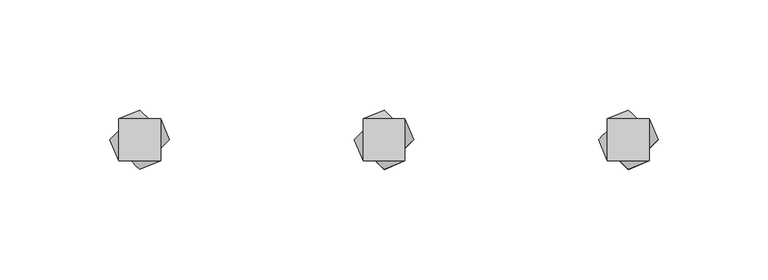
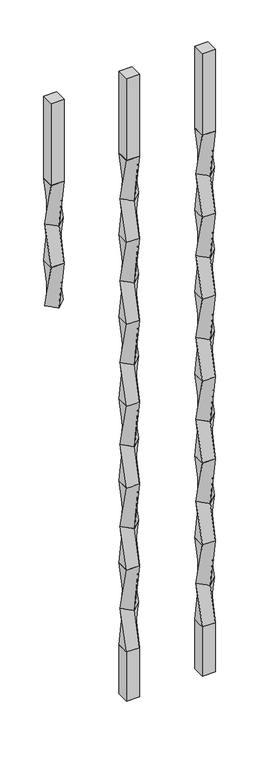
"""IFC4 building model written with IfcOpenShell, lengths in millimetres: proxy geometry."""

from ifc_helpers import new_model, si_unit, frame, origin, place, context, project, spatial, polyline, outline, extrude, source, transform, mapped, element, save
from ifc_brep_helpers import plane_surface, spline_surface, advanced_brep


def specialty_equipment_88f8adfa(model_context):
    return source(origin(), model_context, "Body", "SolidModel", [
        advanced_brep(
        [(212.725, 9.525, 939.8), (212.725, -9.525, 939.8), (231.775, -9.525, 939.8), (231.775, 9.525, 939.8), (222.25, 13.4703842, 876.3), (235.7203842, 0.0, 876.3), (222.25, -13.4703842, 876.3), (208.7796158, 0.0, 876.3)],
        [
            (0, 1),
            (1, 2),
            (2, 3),
            (3, 0),
            (4, 5),
            (5, 6),
            (6, 7),
            (7, 4),
            (4, 0),
            (3, 5),
            (2, 6),
            (1, 7),
        ],
        [
            plane_surface(frame((222.25, 0.0, 939.8), z_axis=(0.0, 0.0, 1.0), x_axis=(0.0, -1.0, 0.0))),
            plane_surface(frame((222.25, 0.0, 876.3), z_axis=(0.0, 0.0, -1.0), x_axis=(0.0, -1.0, 0.0))),
            spline_surface(1, 1, [[(235.7203842, 0.0, 876.3), (231.775, 9.525, 939.8)], [(222.25, 13.4703842, 876.3), (212.725, 9.525, 939.8)]], [2, 2], [2, 2], [0.0, 1.0], [0.0, 1.0]),
            spline_surface(1, 1, [[(222.25, -13.4703842, 876.3), (231.775, -9.525, 939.8)], [(235.7203842, 0.0, 876.3), (231.775, 9.525, 939.8)]], [2, 2], [2, 2], [0.0, 1.0], [0.0, 1.0]),
            spline_surface(1, 1, [[(208.7796158, 0.0, 876.3), (212.725, -9.525, 939.8)], [(222.25, -13.4703842, 876.3), (231.775, -9.525, 939.8)]], [2, 2], [2, 2], [0.0, 1.0], [0.0, 1.0]),
            spline_surface(1, 1, [[(222.25, 13.4703842, 876.3), (212.725, 9.525, 939.8)], [(208.7796158, 0.0, 876.3), (212.725, -9.525, 939.8)]], [2, 2], [2, 2], [0.0, 1.0], [0.0, 1.0]),
        ],
        [
            (0, [[1, 2, 3, 4]]),
            (1, [[5, 6, 7, 8]]),
            (2, [[-5, 9, -4, 10]]),
            (3, [[-6, -10, -3, 11]]),
            (4, [[-7, -11, -2, 12]]),
            (5, [[-8, -12, -1, -9]]),
        ],
    ),
        advanced_brep(
        [(222.25, 13.4703842, 876.3), (208.7796158, 0.0, 876.3), (222.25, -13.4703842, 876.3), (235.7203842, 0.0, 876.3), (212.725, 9.525, 812.8), (231.775, 9.525, 812.8), (231.775, -9.525, 812.8), (212.725, -9.525, 812.8)],
        [
            (0, 1),
            (1, 2),
            (2, 3),
            (3, 0),
            (4, 5),
            (5, 6),
            (6, 7),
            (7, 4),
            (4, 0),
            (3, 5),
            (2, 6),
            (1, 7),
        ],
        [
            plane_surface(frame((222.25, 0.0, 876.3), z_axis=(0.0, 0.0, 1.0000000000000002), x_axis=(0.7071067811865481, -0.707106781186547, 0.0))),
            plane_surface(frame((222.25, 0.0, 812.8), z_axis=(0.0, 0.0, -1.0000000000000002), x_axis=(0.7071067811865481, -0.707106781186547, 0.0))),
            spline_surface(1, 1, [[(231.775, 9.525, 812.8), (235.7203842, 0.0, 876.3)], [(212.725, 9.525, 812.8), (222.25, 13.4703842, 876.3)]], [2, 2], [2, 2], [0.0, 1.0], [0.0, 1.0]),
            spline_surface(1, 1, [[(231.775, -9.525, 812.8), (222.25, -13.4703842, 876.3)], [(231.775, 9.525, 812.8), (235.7203842, 0.0, 876.3)]], [2, 2], [2, 2], [0.0, 1.0], [0.0, 1.0]),
            spline_surface(1, 1, [[(212.725, -9.525, 812.8), (208.7796158, 0.0, 876.3)], [(231.775, -9.525, 812.8), (222.25, -13.4703842, 876.3)]], [2, 2], [2, 2], [0.0, 1.0], [0.0, 1.0]),
            spline_surface(1, 1, [[(212.725, 9.525, 812.8), (222.25, 13.4703842, 876.3)], [(212.725, -9.525, 812.8), (208.7796158, 0.0, 876.3)]], [2, 2], [2, 2], [0.0, 1.0], [0.0, 1.0]),
        ],
        [
            (0, [[1, 2, 3, 4]]),
            (1, [[5, 6, 7, 8]]),
            (2, [[-5, 9, -4, 10]]),
            (3, [[-6, -10, -3, 11]]),
            (4, [[-7, -11, -2, 12]]),
            (5, [[-8, -12, -1, -9]]),
        ],
    ),
        extrude(outline(polyline([(231.775, 9.525), (231.775, -9.525), (212.725, -9.525), (212.725, 9.525), (231.775, 9.525)])), frame((0.0, 0.0, 939.8), z_axis=(0.0, 0.0, 1.0), x_axis=(1.0, 0.0, 0.0)), (0.0, 0.0, 1.0), 127.0),
        advanced_brep(
        [(212.725, 9.525, 812.8), (212.725, -9.525, 812.8), (231.775, -9.525, 812.8), (231.775, 9.525, 812.8), (222.25, 13.4703842, 749.3), (235.7203842, 0.0, 749.3), (222.25, -13.4703842, 749.3), (208.7796158, 0.0, 749.3)],
        [
            (0, 1),
            (1, 2),
            (2, 3),
            (3, 0),
            (4, 5),
            (5, 6),
            (6, 7),
            (7, 4),
            (4, 0),
            (3, 5),
            (2, 6),
            (1, 7),
        ],
        [
            plane_surface(frame((222.25, 0.0, 812.8), z_axis=(0.0, 0.0, 1.0), x_axis=(0.0, -1.0, 0.0))),
            plane_surface(frame((222.25, 0.0, 749.3), z_axis=(0.0, 0.0, -1.0), x_axis=(0.0, -1.0, 0.0))),
            spline_surface(1, 1, [[(235.7203842, 0.0, 749.3), (231.775, 9.525, 812.8)], [(222.25, 13.4703842, 749.3), (212.725, 9.525, 812.8)]], [2, 2], [2, 2], [0.0, 1.0], [0.0, 1.0]),
            spline_surface(1, 1, [[(222.25, -13.4703842, 749.3), (231.775, -9.525, 812.8)], [(235.7203842, 0.0, 749.3), (231.775, 9.525, 812.8)]], [2, 2], [2, 2], [0.0, 1.0], [0.0, 1.0]),
            spline_surface(1, 1, [[(208.7796158, 0.0, 749.3), (212.725, -9.525, 812.8)], [(222.25, -13.4703842, 749.3), (231.775, -9.525, 812.8)]], [2, 2], [2, 2], [0.0, 1.0], [0.0, 1.0]),
            spline_surface(1, 1, [[(222.25, 13.4703842, 749.3), (212.725, 9.525, 812.8)], [(208.7796158, 0.0, 749.3), (212.725, -9.525, 812.8)]], [2, 2], [2, 2], [0.0, 1.0], [0.0, 1.0]),
        ],
        [
            (0, [[1, 2, 3, 4]]),
            (1, [[5, 6, 7, 8]]),
            (2, [[-5, 9, -4, 10]]),
            (3, [[-6, -10, -3, 11]]),
            (4, [[-7, -11, -2, 12]]),
            (5, [[-8, -12, -1, -9]]),
        ],
    ),
        advanced_brep(
        [(222.25, 13.4703842, 749.3), (208.7796158, 0.0, 749.3), (222.25, -13.4703842, 749.3), (235.7203842, 0.0, 749.3), (212.725, 9.525, 685.8), (231.775, 9.525, 685.8), (231.775, -9.525, 685.8), (212.725, -9.525, 685.8)],
        [
            (0, 1),
            (1, 2),
            (2, 3),
            (3, 0),
            (4, 5),
            (5, 6),
            (6, 7),
            (7, 4),
            (4, 0),
            (3, 5),
            (2, 6),
            (1, 7),
        ],
        [
            plane_surface(frame((222.25, 0.0, 749.3), z_axis=(0.0, 0.0, 1.0000000000000002), x_axis=(0.7071067811865481, -0.707106781186547, 0.0))),
            plane_surface(frame((222.25, 0.0, 685.8), z_axis=(0.0, 0.0, -1.0000000000000002), x_axis=(0.7071067811865481, -0.707106781186547, 0.0))),
            spline_surface(1, 1, [[(231.775, 9.525, 685.8), (235.7203842, 0.0, 749.3)], [(212.725, 9.525, 685.8), (222.25, 13.4703842, 749.3)]], [2, 2], [2, 2], [0.0, 1.0], [0.0, 1.0]),
            spline_surface(1, 1, [[(231.775, -9.525, 685.8), (222.25, -13.4703842, 749.3)], [(231.775, 9.525, 685.8), (235.7203842, 0.0, 749.3)]], [2, 2], [2, 2], [0.0, 1.0], [0.0, 1.0]),
            spline_surface(1, 1, [[(212.725, -9.525, 685.8), (208.7796158, 0.0, 749.3)], [(231.775, -9.525, 685.8), (222.25, -13.4703842, 749.3)]], [2, 2], [2, 2], [0.0, 1.0], [0.0, 1.0]),
            spline_surface(1, 1, [[(212.725, 9.525, 685.8), (222.25, 13.4703842, 749.3)], [(212.725, -9.525, 685.8), (208.7796158, 0.0, 749.3)]], [2, 2], [2, 2], [0.0, 1.0], [0.0, 1.0]),
        ],
        [
            (0, [[1, 2, 3, 4]]),
            (1, [[5, 6, 7, 8]]),
            (2, [[-5, 9, -4, 10]]),
            (3, [[-6, -10, -3, 11]]),
            (4, [[-7, -11, -2, 12]]),
            (5, [[-8, -12, -1, -9]]),
        ],
    ),
        advanced_brep(
        [(212.725, 9.525, 685.8), (212.725, -9.525, 685.8), (231.775, -9.525, 685.8), (231.775, 9.525, 685.8), (222.25, 13.4703842, 622.3), (235.7203842, 0.0, 622.3), (222.25, -13.4703842, 622.3), (208.7796158, 0.0, 622.3)],
        [
            (0, 1),
            (1, 2),
            (2, 3),
            (3, 0),
            (4, 5),
            (5, 6),
            (6, 7),
            (7, 4),
            (4, 0),
            (3, 5),
            (2, 6),
            (1, 7),
        ],
        [
            plane_surface(frame((222.25, 0.0, 685.8), z_axis=(0.0, 0.0, 1.0), x_axis=(0.0, -1.0, 0.0))),
            plane_surface(frame((222.25, 0.0, 622.3), z_axis=(0.0, 0.0, -1.0), x_axis=(0.0, -1.0, 0.0))),
            spline_surface(1, 1, [[(235.7203842, 0.0, 622.3), (231.775, 9.525, 685.8)], [(222.25, 13.4703842, 622.3), (212.725, 9.525, 685.8)]], [2, 2], [2, 2], [0.0, 1.0], [0.0, 1.0]),
            spline_surface(1, 1, [[(222.25, -13.4703842, 622.3), (231.775, -9.525, 685.8)], [(235.7203842, 0.0, 622.3), (231.775, 9.525, 685.8)]], [2, 2], [2, 2], [0.0, 1.0], [0.0, 1.0]),
            spline_surface(1, 1, [[(208.7796158, 0.0, 622.3), (212.725, -9.525, 685.8)], [(222.25, -13.4703842, 622.3), (231.775, -9.525, 685.8)]], [2, 2], [2, 2], [0.0, 1.0], [0.0, 1.0]),
            spline_surface(1, 1, [[(222.25, 13.4703842, 622.3), (212.725, 9.525, 685.8)], [(208.7796158, 0.0, 622.3), (212.725, -9.525, 685.8)]], [2, 2], [2, 2], [0.0, 1.0], [0.0, 1.0]),
        ],
        [
            (0, [[1, 2, 3, 4]]),
            (1, [[5, 6, 7, 8]]),
            (2, [[-5, 9, -4, 10]]),
            (3, [[-6, -10, -3, 11]]),
            (4, [[-7, -11, -2, 12]]),
            (5, [[-8, -12, -1, -9]]),
        ],
    ),
        advanced_brep(
        [(222.25, 13.4703842, 622.3), (208.7796158, 0.0, 622.3), (222.25, -13.4703842, 622.3), (235.7203842, 0.0, 622.3), (212.725, 9.525, 558.8), (231.775, 9.525, 558.8), (231.775, -9.525, 558.8), (212.725, -9.525, 558.8)],
        [
            (0, 1),
            (1, 2),
            (2, 3),
            (3, 0),
            (4, 5),
            (5, 6),
            (6, 7),
            (7, 4),
            (4, 0),
            (3, 5),
            (2, 6),
            (1, 7),
        ],
        [
            plane_surface(frame((222.25, 0.0, 622.3), z_axis=(0.0, 0.0, 1.0000000000000002), x_axis=(0.7071067811865481, -0.707106781186547, 0.0))),
            plane_surface(frame((222.25, 0.0, 558.8), z_axis=(0.0, 0.0, -1.0000000000000002), x_axis=(0.7071067811865481, -0.707106781186547, 0.0))),
            spline_surface(1, 1, [[(231.775, 9.525, 558.8), (235.7203842, 0.0, 622.3)], [(212.725, 9.525, 558.8), (222.25, 13.4703842, 622.3)]], [2, 2], [2, 2], [0.0, 1.0], [0.0, 1.0]),
            spline_surface(1, 1, [[(231.775, -9.525, 558.8), (222.25, -13.4703842, 622.3)], [(231.775, 9.525, 558.8), (235.7203842, 0.0, 622.3)]], [2, 2], [2, 2], [0.0, 1.0], [0.0, 1.0]),
            spline_surface(1, 1, [[(212.725, -9.525, 558.8), (208.7796158, 0.0, 622.3)], [(231.775, -9.525, 558.8), (222.25, -13.4703842, 622.3)]], [2, 2], [2, 2], [0.0, 1.0], [0.0, 1.0]),
            spline_surface(1, 1, [[(212.725, 9.525, 558.8), (222.25, 13.4703842, 622.3)], [(212.725, -9.525, 558.8), (208.7796158, 0.0, 622.3)]], [2, 2], [2, 2], [0.0, 1.0], [0.0, 1.0]),
        ],
        [
            (0, [[1, 2, 3, 4]]),
            (1, [[5, 6, 7, 8]]),
            (2, [[-5, 9, -4, 10]]),
            (3, [[-6, -10, -3, 11]]),
            (4, [[-7, -11, -2, 12]]),
            (5, [[-8, -12, -1, -9]]),
        ],
    ),
        advanced_brep(
        [(212.725, 9.525, 558.8), (212.725, -9.525, 558.8), (231.775, -9.525, 558.8), (231.775, 9.525, 558.8), (222.25, 13.4703842, 495.3), (235.7203842, 0.0, 495.3), (222.25, -13.4703842, 495.3), (208.7796158, 0.0, 495.3)],
        [
            (0, 1),
            (1, 2),
            (2, 3),
            (3, 0),
            (4, 5),
            (5, 6),
            (6, 7),
            (7, 4),
            (4, 0),
            (3, 5),
            (2, 6),
            (1, 7),
        ],
        [
            plane_surface(frame((222.25, 0.0, 558.8), z_axis=(0.0, 0.0, 1.0), x_axis=(0.0, -1.0, 0.0))),
            plane_surface(frame((222.25, 0.0, 495.3), z_axis=(0.0, 0.0, -1.0), x_axis=(0.0, -1.0, 0.0))),
            spline_surface(1, 1, [[(235.7203842, 0.0, 495.3), (231.775, 9.525, 558.8)], [(222.25, 13.4703842, 495.3), (212.725, 9.525, 558.8)]], [2, 2], [2, 2], [0.0, 1.0], [0.0, 1.0]),
            spline_surface(1, 1, [[(222.25, -13.4703842, 495.3), (231.775, -9.525, 558.8)], [(235.7203842, 0.0, 495.3), (231.775, 9.525, 558.8)]], [2, 2], [2, 2], [0.0, 1.0], [0.0, 1.0]),
            spline_surface(1, 1, [[(208.7796158, 0.0, 495.3), (212.725, -9.525, 558.8)], [(222.25, -13.4703842, 495.3), (231.775, -9.525, 558.8)]], [2, 2], [2, 2], [0.0, 1.0], [0.0, 1.0]),
            spline_surface(1, 1, [[(222.25, 13.4703842, 495.3), (212.725, 9.525, 558.8)], [(208.7796158, 0.0, 495.3), (212.725, -9.525, 558.8)]], [2, 2], [2, 2], [0.0, 1.0], [0.0, 1.0]),
        ],
        [
            (0, [[1, 2, 3, 4]]),
            (1, [[5, 6, 7, 8]]),
            (2, [[-5, 9, -4, 10]]),
            (3, [[-6, -10, -3, 11]]),
            (4, [[-7, -11, -2, 12]]),
            (5, [[-8, -12, -1, -9]]),
        ],
    ),
        advanced_brep(
        [(222.25, 13.4703842, 495.3), (208.7796158, 0.0, 495.3), (222.25, -13.4703842, 495.3), (235.7203842, 0.0, 495.3), (212.725, 9.525, 431.8), (231.775, 9.525, 431.8), (231.775, -9.525, 431.8), (212.725, -9.525, 431.8)],
        [
            (0, 1),
            (1, 2),
            (2, 3),
            (3, 0),
            (4, 5),
            (5, 6),
            (6, 7),
            (7, 4),
            (4, 0),
            (3, 5),
            (2, 6),
            (1, 7),
        ],
        [
            plane_surface(frame((222.25, 0.0, 495.3), z_axis=(0.0, 0.0, 1.0000000000000002), x_axis=(0.7071067811865481, -0.707106781186547, 0.0))),
            plane_surface(frame((222.25, 0.0, 431.8), z_axis=(0.0, 0.0, -1.0000000000000002), x_axis=(0.7071067811865481, -0.707106781186547, 0.0))),
            spline_surface(1, 1, [[(231.775, 9.525, 431.8), (235.7203842, 0.0, 495.3)], [(212.725, 9.525, 431.8), (222.25, 13.4703842, 495.3)]], [2, 2], [2, 2], [0.0, 1.0], [0.0, 1.0]),
            spline_surface(1, 1, [[(231.775, -9.525, 431.8), (222.25, -13.4703842, 495.3)], [(231.775, 9.525, 431.8), (235.7203842, 0.0, 495.3)]], [2, 2], [2, 2], [0.0, 1.0], [0.0, 1.0]),
            spline_surface(1, 1, [[(212.725, -9.525, 431.8), (208.7796158, 0.0, 495.3)], [(231.775, -9.525, 431.8), (222.25, -13.4703842, 495.3)]], [2, 2], [2, 2], [0.0, 1.0], [0.0, 1.0]),
            spline_surface(1, 1, [[(212.725, 9.525, 431.8), (222.25, 13.4703842, 495.3)], [(212.725, -9.525, 431.8), (208.7796158, 0.0, 495.3)]], [2, 2], [2, 2], [0.0, 1.0], [0.0, 1.0]),
        ],
        [
            (0, [[1, 2, 3, 4]]),
            (1, [[5, 6, 7, 8]]),
            (2, [[-5, 9, -4, 10]]),
            (3, [[-6, -10, -3, 11]]),
            (4, [[-7, -11, -2, 12]]),
            (5, [[-8, -12, -1, -9]]),
        ],
    ),
        advanced_brep(
        [(212.725, 9.525, 431.8), (212.725, -9.525, 431.8), (231.775, -9.525, 431.8), (231.775, 9.525, 431.8), (222.25, 13.4703842, 368.3), (235.7203842, 0.0, 368.3), (222.25, -13.4703842, 368.3), (208.7796158, 0.0, 368.3)],
        [
            (0, 1),
            (1, 2),
            (2, 3),
            (3, 0),
            (4, 5),
            (5, 6),
            (6, 7),
            (7, 4),
            (4, 0),
            (3, 5),
            (2, 6),
            (1, 7),
        ],
        [
            plane_surface(frame((222.25, 0.0, 431.8), z_axis=(0.0, 0.0, 1.0), x_axis=(0.0, -1.0, 0.0))),
            plane_surface(frame((222.25, 0.0, 368.3), z_axis=(0.0, 0.0, -1.0), x_axis=(0.0, -1.0, 0.0))),
            spline_surface(1, 1, [[(235.7203842, 0.0, 368.3), (231.775, 9.525, 431.8)], [(222.25, 13.4703842, 368.3), (212.725, 9.525, 431.8)]], [2, 2], [2, 2], [0.0, 1.0], [0.0, 1.0]),
            spline_surface(1, 1, [[(222.25, -13.4703842, 368.3), (231.775, -9.525, 431.8)], [(235.7203842, 0.0, 368.3), (231.775, 9.525, 431.8)]], [2, 2], [2, 2], [0.0, 1.0], [0.0, 1.0]),
            spline_surface(1, 1, [[(208.7796158, 0.0, 368.3), (212.725, -9.525, 431.8)], [(222.25, -13.4703842, 368.3), (231.775, -9.525, 431.8)]], [2, 2], [2, 2], [0.0, 1.0], [0.0, 1.0]),
            spline_surface(1, 1, [[(222.25, 13.4703842, 368.3), (212.725, 9.525, 431.8)], [(208.7796158, 0.0, 368.3), (212.725, -9.525, 431.8)]], [2, 2], [2, 2], [0.0, 1.0], [0.0, 1.0]),
        ],
        [
            (0, [[1, 2, 3, 4]]),
            (1, [[5, 6, 7, 8]]),
            (2, [[-5, 9, -4, 10]]),
            (3, [[-6, -10, -3, 11]]),
            (4, [[-7, -11, -2, 12]]),
            (5, [[-8, -12, -1, -9]]),
        ],
    ),
        advanced_brep(
        [(222.25, 13.4703842, 368.3), (208.7796158, 0.0, 368.3), (222.25, -13.4703842, 368.3), (235.7203842, 0.0, 368.3), (212.725, 9.525, 304.8), (231.775, 9.525, 304.8), (231.775, -9.525, 304.8), (212.725, -9.525, 304.8)],
        [
            (0, 1),
            (1, 2),
            (2, 3),
            (3, 0),
            (4, 5),
            (5, 6),
            (6, 7),
            (7, 4),
            (4, 0),
            (3, 5),
            (2, 6),
            (1, 7),
        ],
        [
            plane_surface(frame((222.25, 0.0, 368.3), z_axis=(0.0, 0.0, 1.0000000000000002), x_axis=(0.7071067811865481, -0.707106781186547, 0.0))),
            plane_surface(frame((222.25, 0.0, 304.8), z_axis=(0.0, 0.0, -1.0000000000000002), x_axis=(0.7071067811865481, -0.707106781186547, 0.0))),
            spline_surface(1, 1, [[(231.775, 9.525, 304.8), (235.7203842, 0.0, 368.3)], [(212.725, 9.525, 304.8), (222.25, 13.4703842, 368.3)]], [2, 2], [2, 2], [0.0, 1.0], [0.0, 1.0]),
            spline_surface(1, 1, [[(231.775, -9.525, 304.8), (222.25, -13.4703842, 368.3)], [(231.775, 9.525, 304.8), (235.7203842, 0.0, 368.3)]], [2, 2], [2, 2], [0.0, 1.0], [0.0, 1.0]),
            spline_surface(1, 1, [[(212.725, -9.525, 304.8), (208.7796158, 0.0, 368.3)], [(231.775, -9.525, 304.8), (222.25, -13.4703842, 368.3)]], [2, 2], [2, 2], [0.0, 1.0], [0.0, 1.0]),
            spline_surface(1, 1, [[(212.725, 9.525, 304.8), (222.25, 13.4703842, 368.3)], [(212.725, -9.525, 304.8), (208.7796158, 0.0, 368.3)]], [2, 2], [2, 2], [0.0, 1.0], [0.0, 1.0]),
        ],
        [
            (0, [[1, 2, 3, 4]]),
            (1, [[5, 6, 7, 8]]),
            (2, [[-5, 9, -4, 10]]),
            (3, [[-6, -10, -3, 11]]),
            (4, [[-7, -11, -2, 12]]),
            (5, [[-8, -12, -1, -9]]),
        ],
    ),
        advanced_brep(
        [(212.725, 9.525, 304.8), (212.725, -9.525, 304.8), (231.775, -9.525, 304.8), (231.775, 9.525, 304.8), (222.25, 13.4703842, 241.3), (235.7203842, 0.0, 241.3), (222.25, -13.4703842, 241.3), (208.7796158, 0.0, 241.3)],
        [
            (0, 1),
            (1, 2),
            (2, 3),
            (3, 0),
            (4, 5),
            (5, 6),
            (6, 7),
            (7, 4),
            (4, 0),
            (3, 5),
            (2, 6),
            (1, 7),
        ],
        [
            plane_surface(frame((222.25, 0.0, 304.8), z_axis=(0.0, 0.0, 1.0), x_axis=(0.0, -1.0, 0.0))),
            plane_surface(frame((222.25, 0.0, 241.3), z_axis=(0.0, 0.0, -1.0), x_axis=(0.0, -1.0, 0.0))),
            spline_surface(1, 1, [[(235.7203842, 0.0, 241.3), (231.775, 9.525, 304.8)], [(222.25, 13.4703842, 241.3), (212.725, 9.525, 304.8)]], [2, 2], [2, 2], [0.0, 1.0], [0.0, 1.0]),
            spline_surface(1, 1, [[(222.25, -13.4703842, 241.3), (231.775, -9.525, 304.8)], [(235.7203842, 0.0, 241.3), (231.775, 9.525, 304.8)]], [2, 2], [2, 2], [0.0, 1.0], [0.0, 1.0]),
            spline_surface(1, 1, [[(208.7796158, 0.0, 241.3), (212.725, -9.525, 304.8)], [(222.25, -13.4703842, 241.3), (231.775, -9.525, 304.8)]], [2, 2], [2, 2], [0.0, 1.0], [0.0, 1.0]),
            spline_surface(1, 1, [[(222.25, 13.4703842, 241.3), (212.725, 9.525, 304.8)], [(208.7796158, 0.0, 241.3), (212.725, -9.525, 304.8)]], [2, 2], [2, 2], [0.0, 1.0], [0.0, 1.0]),
        ],
        [
            (0, [[1, 2, 3, 4]]),
            (1, [[5, 6, 7, 8]]),
            (2, [[-5, 9, -4, 10]]),
            (3, [[-6, -10, -3, 11]]),
            (4, [[-7, -11, -2, 12]]),
            (5, [[-8, -12, -1, -9]]),
        ],
    ),
        advanced_brep(
        [(222.25, 13.4703842, 241.3), (208.7796158, 0.0, 241.3), (222.25, -13.4703842, 241.3), (235.7203842, 0.0, 241.3), (212.725, 9.525, 177.8), (231.775, 9.525, 177.8), (231.775, -9.525, 177.8), (212.725, -9.525, 177.8)],
        [
            (0, 1),
            (1, 2),
            (2, 3),
            (3, 0),
            (4, 5),
            (5, 6),
            (6, 7),
            (7, 4),
            (4, 0),
            (3, 5),
            (2, 6),
            (1, 7),
        ],
        [
            plane_surface(frame((222.25, 0.0, 241.3), z_axis=(0.0, 0.0, 1.0000000000000002), x_axis=(0.7071067811865481, -0.707106781186547, 0.0))),
            plane_surface(frame((222.25, 0.0, 177.8), z_axis=(0.0, 0.0, -1.0000000000000002), x_axis=(0.7071067811865481, -0.707106781186547, 0.0))),
            spline_surface(1, 1, [[(231.775, 9.525, 177.8), (235.7203842, 0.0, 241.3)], [(212.725, 9.525, 177.8), (222.25, 13.4703842, 241.3)]], [2, 2], [2, 2], [0.0, 1.0], [0.0, 1.0]),
            spline_surface(1, 1, [[(231.775, -9.525, 177.8), (222.25, -13.4703842, 241.3)], [(231.775, 9.525, 177.8), (235.7203842, 0.0, 241.3)]], [2, 2], [2, 2], [0.0, 1.0], [0.0, 1.0]),
            spline_surface(1, 1, [[(212.725, -9.525, 177.8), (208.7796158, 0.0, 241.3)], [(231.775, -9.525, 177.8), (222.25, -13.4703842, 241.3)]], [2, 2], [2, 2], [0.0, 1.0], [0.0, 1.0]),
            spline_surface(1, 1, [[(212.725, 9.525, 177.8), (222.25, 13.4703842, 241.3)], [(212.725, -9.525, 177.8), (208.7796158, 0.0, 241.3)]], [2, 2], [2, 2], [0.0, 1.0], [0.0, 1.0]),
        ],
        [
            (0, [[1, 2, 3, 4]]),
            (1, [[5, 6, 7, 8]]),
            (2, [[-5, 9, -4, 10]]),
            (3, [[-6, -10, -3, 11]]),
            (4, [[-7, -11, -2, 12]]),
            (5, [[-8, -12, -1, -9]]),
        ],
    ),
        extrude(outline(polyline([(231.775, 9.525), (231.775, -9.525), (212.725, -9.525), (212.725, 9.525), (231.775, 9.525)])), frame((0.0, 0.0, 101.6), z_axis=(0.0, 0.0, 1.0), x_axis=(1.0, 0.0, 0.0)), (0.0, 0.0, 1.0), 76.2),
        advanced_brep(
        [(101.6, 9.525, 939.8), (101.6, -9.525, 939.8), (120.65, -9.525, 939.8), (120.65, 9.525, 939.8), (111.125, 13.4703842, 876.3), (124.5953842, 0.0, 876.3), (111.125, -13.4703842, 876.3), (97.6546158, 0.0, 876.3)],
        [
            (0, 1),
            (1, 2),
            (2, 3),
            (3, 0),
            (4, 5),
            (5, 6),
            (6, 7),
            (7, 4),
            (4, 0),
            (3, 5),
            (2, 6),
            (1, 7),
        ],
        [
            plane_surface(frame((111.125, 0.0, 939.8), z_axis=(0.0, 0.0, 1.0), x_axis=(0.0, -1.0, 0.0))),
            plane_surface(frame((111.125, 0.0, 876.3), z_axis=(0.0, 0.0, -1.0), x_axis=(0.0, -1.0, 0.0))),
            spline_surface(1, 1, [[(124.5953842, 0.0, 876.3), (120.65, 9.525, 939.8)], [(111.125, 13.4703842, 876.3), (101.6, 9.525, 939.8)]], [2, 2], [2, 2], [0.0, 1.0], [0.0, 1.0]),
            spline_surface(1, 1, [[(111.125, -13.4703842, 876.3), (120.65, -9.525, 939.8)], [(124.5953842, 0.0, 876.3), (120.65, 9.525, 939.8)]], [2, 2], [2, 2], [0.0, 1.0], [0.0, 1.0]),
            spline_surface(1, 1, [[(97.6546158, 0.0, 876.3), (101.6, -9.525, 939.8)], [(111.125, -13.4703842, 876.3), (120.65, -9.525, 939.8)]], [2, 2], [2, 2], [0.0, 1.0], [0.0, 1.0]),
            spline_surface(1, 1, [[(111.125, 13.4703842, 876.3), (101.6, 9.525, 939.8)], [(97.6546158, 0.0, 876.3), (101.6, -9.525, 939.8)]], [2, 2], [2, 2], [0.0, 1.0], [0.0, 1.0]),
        ],
        [
            (0, [[1, 2, 3, 4]]),
            (1, [[5, 6, 7, 8]]),
            (2, [[-5, 9, -4, 10]]),
            (3, [[-6, -10, -3, 11]]),
            (4, [[-7, -11, -2, 12]]),
            (5, [[-8, -12, -1, -9]]),
        ],
    ),
        advanced_brep(
        [(111.125, 13.4703842, 876.3), (97.6546158, 0.0, 876.3), (111.125, -13.4703842, 876.3), (124.5953842, 0.0, 876.3), (101.6, 9.525, 812.8), (120.65, 9.525, 812.8), (120.65, -9.525, 812.8), (101.6, -9.525, 812.8)],
        [
            (0, 1),
            (1, 2),
            (2, 3),
            (3, 0),
            (4, 5),
            (5, 6),
            (6, 7),
            (7, 4),
            (4, 0),
            (3, 5),
            (2, 6),
            (1, 7),
        ],
        [
            plane_surface(frame((111.125, 0.0, 876.3), z_axis=(0.0, 0.0, 1.0000000000000002), x_axis=(0.7071067811865481, -0.707106781186547, 0.0))),
            plane_surface(frame((111.125, 0.0, 812.8), z_axis=(0.0, 0.0, -1.0000000000000002), x_axis=(0.7071067811865481, -0.707106781186547, 0.0))),
            spline_surface(1, 1, [[(120.65, 9.525, 812.8), (124.5953842, 0.0, 876.3)], [(101.6, 9.525, 812.8), (111.125, 13.4703842, 876.3)]], [2, 2], [2, 2], [0.0, 1.0], [0.0, 1.0]),
            spline_surface(1, 1, [[(120.65, -9.525, 812.8), (111.125, -13.4703842, 876.3)], [(120.65, 9.525, 812.8), (124.5953842, 0.0, 876.3)]], [2, 2], [2, 2], [0.0, 1.0], [0.0, 1.0]),
            spline_surface(1, 1, [[(101.6, -9.525, 812.8), (97.6546158, 0.0, 876.3)], [(120.65, -9.525, 812.8), (111.125, -13.4703842, 876.3)]], [2, 2], [2, 2], [0.0, 1.0], [0.0, 1.0]),
            spline_surface(1, 1, [[(101.6, 9.525, 812.8), (111.125, 13.4703842, 876.3)], [(101.6, -9.525, 812.8), (97.6546158, 0.0, 876.3)]], [2, 2], [2, 2], [0.0, 1.0], [0.0, 1.0]),
        ],
        [
            (0, [[1, 2, 3, 4]]),
            (1, [[5, 6, 7, 8]]),
            (2, [[-5, 9, -4, 10]]),
            (3, [[-6, -10, -3, 11]]),
            (4, [[-7, -11, -2, 12]]),
            (5, [[-8, -12, -1, -9]]),
        ],
    ),
        extrude(outline(polyline([(120.65, 9.525), (120.65, -9.525), (101.6, -9.525), (101.6, 9.525), (120.65, 9.525)])), frame((0.0, 0.0, 939.8), z_axis=(0.0, 0.0, 1.0), x_axis=(1.0, 0.0, 0.0)), (0.0, 0.0, 1.0), 127.0),
        advanced_brep(
        [(101.6, 9.525, 812.8), (101.6, -9.525, 812.8), (120.65, -9.525, 812.8), (120.65, 9.525, 812.8), (111.125, 13.4703842, 749.3), (124.5953842, 0.0, 749.3), (111.125, -13.4703842, 749.3), (97.6546158, 0.0, 749.3)],
        [
            (0, 1),
            (1, 2),
            (2, 3),
            (3, 0),
            (4, 5),
            (5, 6),
            (6, 7),
            (7, 4),
            (4, 0),
            (3, 5),
            (2, 6),
            (1, 7),
        ],
        [
            plane_surface(frame((111.125, 0.0, 812.8), z_axis=(0.0, 0.0, 1.0), x_axis=(0.0, -1.0, 0.0))),
            plane_surface(frame((111.125, 0.0, 749.3), z_axis=(0.0, 0.0, -1.0), x_axis=(0.0, -1.0, 0.0))),
            spline_surface(1, 1, [[(124.5953842, 0.0, 749.3), (120.65, 9.525, 812.8)], [(111.125, 13.4703842, 749.3), (101.6, 9.525, 812.8)]], [2, 2], [2, 2], [0.0, 1.0], [0.0, 1.0]),
            spline_surface(1, 1, [[(111.125, -13.4703842, 749.3), (120.65, -9.525, 812.8)], [(124.5953842, 0.0, 749.3), (120.65, 9.525, 812.8)]], [2, 2], [2, 2], [0.0, 1.0], [0.0, 1.0]),
            spline_surface(1, 1, [[(97.6546158, 0.0, 749.3), (101.6, -9.525, 812.8)], [(111.125, -13.4703842, 749.3), (120.65, -9.525, 812.8)]], [2, 2], [2, 2], [0.0, 1.0], [0.0, 1.0]),
            spline_surface(1, 1, [[(111.125, 13.4703842, 749.3), (101.6, 9.525, 812.8)], [(97.6546158, 0.0, 749.3), (101.6, -9.525, 812.8)]], [2, 2], [2, 2], [0.0, 1.0], [0.0, 1.0]),
        ],
        [
            (0, [[1, 2, 3, 4]]),
            (1, [[5, 6, 7, 8]]),
            (2, [[-5, 9, -4, 10]]),
            (3, [[-6, -10, -3, 11]]),
            (4, [[-7, -11, -2, 12]]),
            (5, [[-8, -12, -1, -9]]),
        ],
    ),
        advanced_brep(
        [(111.125, 13.4703842, 749.3), (97.6546158, 0.0, 749.3), (111.125, -13.4703842, 749.3), (124.5953842, 0.0, 749.3), (101.6, 9.525, 685.8), (120.65, 9.525, 685.8), (120.65, -9.525, 685.8), (101.6, -9.525, 685.8)],
        [
            (0, 1),
            (1, 2),
            (2, 3),
            (3, 0),
            (4, 5),
            (5, 6),
            (6, 7),
            (7, 4),
            (4, 0),
            (3, 5),
            (2, 6),
            (1, 7),
        ],
        [
            plane_surface(frame((111.125, 0.0, 749.3), z_axis=(0.0, 0.0, 1.0000000000000002), x_axis=(0.7071067811865481, -0.707106781186547, 0.0))),
            plane_surface(frame((111.125, 0.0, 685.8), z_axis=(0.0, 0.0, -1.0000000000000002), x_axis=(0.7071067811865481, -0.707106781186547, 0.0))),
            spline_surface(1, 1, [[(120.65, 9.525, 685.8), (124.5953842, 0.0, 749.3)], [(101.6, 9.525, 685.8), (111.125, 13.4703842, 749.3)]], [2, 2], [2, 2], [0.0, 1.0], [0.0, 1.0]),
            spline_surface(1, 1, [[(120.65, -9.525, 685.8), (111.125, -13.4703842, 749.3)], [(120.65, 9.525, 685.8), (124.5953842, 0.0, 749.3)]], [2, 2], [2, 2], [0.0, 1.0], [0.0, 1.0]),
            spline_surface(1, 1, [[(101.6, -9.525, 685.8), (97.6546158, 0.0, 749.3)], [(120.65, -9.525, 685.8), (111.125, -13.4703842, 749.3)]], [2, 2], [2, 2], [0.0, 1.0], [0.0, 1.0]),
            spline_surface(1, 1, [[(101.6, 9.525, 685.8), (111.125, 13.4703842, 749.3)], [(101.6, -9.525, 685.8), (97.6546158, 0.0, 749.3)]], [2, 2], [2, 2], [0.0, 1.0], [0.0, 1.0]),
        ],
        [
            (0, [[1, 2, 3, 4]]),
            (1, [[5, 6, 7, 8]]),
            (2, [[-5, 9, -4, 10]]),
            (3, [[-6, -10, -3, 11]]),
            (4, [[-7, -11, -2, 12]]),
            (5, [[-8, -12, -1, -9]]),
        ],
    ),
        advanced_brep(
        [(101.6, 9.525, 685.8), (101.6, -9.525, 685.8), (120.65, -9.525, 685.8), (120.65, 9.525, 685.8), (111.125, 13.4703842, 622.3), (124.5953842, 0.0, 622.3), (111.125, -13.4703842, 622.3), (97.6546158, 0.0, 622.3)],
        [
            (0, 1),
            (1, 2),
            (2, 3),
            (3, 0),
            (4, 5),
            (5, 6),
            (6, 7),
            (7, 4),
            (4, 0),
            (3, 5),
            (2, 6),
            (1, 7),
        ],
        [
            plane_surface(frame((111.125, 0.0, 685.8), z_axis=(0.0, 0.0, 1.0), x_axis=(0.0, -1.0, 0.0))),
            plane_surface(frame((111.125, 0.0, 622.3), z_axis=(0.0, 0.0, -1.0), x_axis=(0.0, -1.0, 0.0))),
            spline_surface(1, 1, [[(124.5953842, 0.0, 622.3), (120.65, 9.525, 685.8)], [(111.125, 13.4703842, 622.3), (101.6, 9.525, 685.8)]], [2, 2], [2, 2], [0.0, 1.0], [0.0, 1.0]),
            spline_surface(1, 1, [[(111.125, -13.4703842, 622.3), (120.65, -9.525, 685.8)], [(124.5953842, 0.0, 622.3), (120.65, 9.525, 685.8)]], [2, 2], [2, 2], [0.0, 1.0], [0.0, 1.0]),
            spline_surface(1, 1, [[(97.6546158, 0.0, 622.3), (101.6, -9.525, 685.8)], [(111.125, -13.4703842, 622.3), (120.65, -9.525, 685.8)]], [2, 2], [2, 2], [0.0, 1.0], [0.0, 1.0]),
            spline_surface(1, 1, [[(111.125, 13.4703842, 622.3), (101.6, 9.525, 685.8)], [(97.6546158, 0.0, 622.3), (101.6, -9.525, 685.8)]], [2, 2], [2, 2], [0.0, 1.0], [0.0, 1.0]),
        ],
        [
            (0, [[1, 2, 3, 4]]),
            (1, [[5, 6, 7, 8]]),
            (2, [[-5, 9, -4, 10]]),
            (3, [[-6, -10, -3, 11]]),
            (4, [[-7, -11, -2, 12]]),
            (5, [[-8, -12, -1, -9]]),
        ],
    ),
        advanced_brep(
        [(111.125, 13.4703842, 622.3), (97.6546158, 0.0, 622.3), (111.125, -13.4703842, 622.3), (124.5953842, 0.0, 622.3), (101.6, 9.525, 558.8), (120.65, 9.525, 558.8), (120.65, -9.525, 558.8), (101.6, -9.525, 558.8)],
        [
            (0, 1),
            (1, 2),
            (2, 3),
            (3, 0),
            (4, 5),
            (5, 6),
            (6, 7),
            (7, 4),
            (4, 0),
            (3, 5),
            (2, 6),
            (1, 7),
        ],
        [
            plane_surface(frame((111.125, 0.0, 622.3), z_axis=(0.0, 0.0, 1.0000000000000002), x_axis=(0.7071067811865481, -0.707106781186547, 0.0))),
            plane_surface(frame((111.125, 0.0, 558.8), z_axis=(0.0, 0.0, -1.0000000000000002), x_axis=(0.7071067811865481, -0.707106781186547, 0.0))),
            spline_surface(1, 1, [[(120.65, 9.525, 558.8), (124.5953842, 0.0, 622.3)], [(101.6, 9.525, 558.8), (111.125, 13.4703842, 622.3)]], [2, 2], [2, 2], [0.0, 1.0], [0.0, 1.0]),
            spline_surface(1, 1, [[(120.65, -9.525, 558.8), (111.125, -13.4703842, 622.3)], [(120.65, 9.525, 558.8), (124.5953842, 0.0, 622.3)]], [2, 2], [2, 2], [0.0, 1.0], [0.0, 1.0]),
            spline_surface(1, 1, [[(101.6, -9.525, 558.8), (97.6546158, 0.0, 622.3)], [(120.65, -9.525, 558.8), (111.125, -13.4703842, 622.3)]], [2, 2], [2, 2], [0.0, 1.0], [0.0, 1.0]),
            spline_surface(1, 1, [[(101.6, 9.525, 558.8), (111.125, 13.4703842, 622.3)], [(101.6, -9.525, 558.8), (97.6546158, 0.0, 622.3)]], [2, 2], [2, 2], [0.0, 1.0], [0.0, 1.0]),
        ],
        [
            (0, [[1, 2, 3, 4]]),
            (1, [[5, 6, 7, 8]]),
            (2, [[-5, 9, -4, 10]]),
            (3, [[-6, -10, -3, 11]]),
            (4, [[-7, -11, -2, 12]]),
            (5, [[-8, -12, -1, -9]]),
        ],
    ),
        advanced_brep(
        [(101.6, 9.525, 558.8), (101.6, -9.525, 558.8), (120.65, -9.525, 558.8), (120.65, 9.525, 558.8), (111.125, 13.4703842, 495.3), (124.5953842, 0.0, 495.3), (111.125, -13.4703842, 495.3), (97.6546158, 0.0, 495.3)],
        [
            (0, 1),
            (1, 2),
            (2, 3),
            (3, 0),
            (4, 5),
            (5, 6),
            (6, 7),
            (7, 4),
            (4, 0),
            (3, 5),
            (2, 6),
            (1, 7),
        ],
        [
            plane_surface(frame((111.125, 0.0, 558.8), z_axis=(0.0, 0.0, 1.0), x_axis=(0.0, -1.0, 0.0))),
            plane_surface(frame((111.125, 0.0, 495.3), z_axis=(0.0, 0.0, -1.0), x_axis=(0.0, -1.0, 0.0))),
            spline_surface(1, 1, [[(124.5953842, 0.0, 495.3), (120.65, 9.525, 558.8)], [(111.125, 13.4703842, 495.3), (101.6, 9.525, 558.8)]], [2, 2], [2, 2], [0.0, 1.0], [0.0, 1.0]),
            spline_surface(1, 1, [[(111.125, -13.4703842, 495.3), (120.65, -9.525, 558.8)], [(124.5953842, 0.0, 495.3), (120.65, 9.525, 558.8)]], [2, 2], [2, 2], [0.0, 1.0], [0.0, 1.0]),
            spline_surface(1, 1, [[(97.6546158, 0.0, 495.3), (101.6, -9.525, 558.8)], [(111.125, -13.4703842, 495.3), (120.65, -9.525, 558.8)]], [2, 2], [2, 2], [0.0, 1.0], [0.0, 1.0]),
            spline_surface(1, 1, [[(111.125, 13.4703842, 495.3), (101.6, 9.525, 558.8)], [(97.6546158, 0.0, 495.3), (101.6, -9.525, 558.8)]], [2, 2], [2, 2], [0.0, 1.0], [0.0, 1.0]),
        ],
        [
            (0, [[1, 2, 3, 4]]),
            (1, [[5, 6, 7, 8]]),
            (2, [[-5, 9, -4, 10]]),
            (3, [[-6, -10, -3, 11]]),
            (4, [[-7, -11, -2, 12]]),
            (5, [[-8, -12, -1, -9]]),
        ],
    ),
        advanced_brep(
        [(111.125, 13.4703842, 495.3), (97.6546158, 0.0, 495.3), (111.125, -13.4703842, 495.3), (124.5953842, 0.0, 495.3), (101.6, 9.525, 431.8), (120.65, 9.525, 431.8), (120.65, -9.525, 431.8), (101.6, -9.525, 431.8)],
        [
            (0, 1),
            (1, 2),
            (2, 3),
            (3, 0),
            (4, 5),
            (5, 6),
            (6, 7),
            (7, 4),
            (4, 0),
            (3, 5),
            (2, 6),
            (1, 7),
        ],
        [
            plane_surface(frame((111.125, 0.0, 495.3), z_axis=(0.0, 0.0, 1.0000000000000002), x_axis=(0.7071067811865481, -0.707106781186547, 0.0))),
            plane_surface(frame((111.125, 0.0, 431.8), z_axis=(0.0, 0.0, -1.0000000000000002), x_axis=(0.7071067811865481, -0.707106781186547, 0.0))),
            spline_surface(1, 1, [[(120.65, 9.525, 431.8), (124.5953842, 0.0, 495.3)], [(101.6, 9.525, 431.8), (111.125, 13.4703842, 495.3)]], [2, 2], [2, 2], [0.0, 1.0], [0.0, 1.0]),
            spline_surface(1, 1, [[(120.65, -9.525, 431.8), (111.125, -13.4703842, 495.3)], [(120.65, 9.525, 431.8), (124.5953842, 0.0, 495.3)]], [2, 2], [2, 2], [0.0, 1.0], [0.0, 1.0]),
            spline_surface(1, 1, [[(101.6, -9.525, 431.8), (97.6546158, 0.0, 495.3)], [(120.65, -9.525, 431.8), (111.125, -13.4703842, 495.3)]], [2, 2], [2, 2], [0.0, 1.0], [0.0, 1.0]),
            spline_surface(1, 1, [[(101.6, 9.525, 431.8), (111.125, 13.4703842, 495.3)], [(101.6, -9.525, 431.8), (97.6546158, 0.0, 495.3)]], [2, 2], [2, 2], [0.0, 1.0], [0.0, 1.0]),
        ],
        [
            (0, [[1, 2, 3, 4]]),
            (1, [[5, 6, 7, 8]]),
            (2, [[-5, 9, -4, 10]]),
            (3, [[-6, -10, -3, 11]]),
            (4, [[-7, -11, -2, 12]]),
            (5, [[-8, -12, -1, -9]]),
        ],
    ),
        advanced_brep(
        [(101.6, 9.525, 431.8), (101.6, -9.525, 431.8), (120.65, -9.525, 431.8), (120.65, 9.525, 431.8), (111.125, 13.4703842, 368.3), (124.5953842, 0.0, 368.3), (111.125, -13.4703842, 368.3), (97.6546158, 0.0, 368.3)],
        [
            (0, 1),
            (1, 2),
            (2, 3),
            (3, 0),
            (4, 5),
            (5, 6),
            (6, 7),
            (7, 4),
            (4, 0),
            (3, 5),
            (2, 6),
            (1, 7),
        ],
        [
            plane_surface(frame((111.125, 0.0, 431.8), z_axis=(0.0, 0.0, 1.0), x_axis=(0.0, -1.0, 0.0))),
            plane_surface(frame((111.125, 0.0, 368.3), z_axis=(0.0, 0.0, -1.0), x_axis=(0.0, -1.0, 0.0))),
            spline_surface(1, 1, [[(124.5953842, 0.0, 368.3), (120.65, 9.525, 431.8)], [(111.125, 13.4703842, 368.3), (101.6, 9.525, 431.8)]], [2, 2], [2, 2], [0.0, 1.0], [0.0, 1.0]),
            spline_surface(1, 1, [[(111.125, -13.4703842, 368.3), (120.65, -9.525, 431.8)], [(124.5953842, 0.0, 368.3), (120.65, 9.525, 431.8)]], [2, 2], [2, 2], [0.0, 1.0], [0.0, 1.0]),
            spline_surface(1, 1, [[(97.6546158, 0.0, 368.3), (101.6, -9.525, 431.8)], [(111.125, -13.4703842, 368.3), (120.65, -9.525, 431.8)]], [2, 2], [2, 2], [0.0, 1.0], [0.0, 1.0]),
            spline_surface(1, 1, [[(111.125, 13.4703842, 368.3), (101.6, 9.525, 431.8)], [(97.6546158, 0.0, 368.3), (101.6, -9.525, 431.8)]], [2, 2], [2, 2], [0.0, 1.0], [0.0, 1.0]),
        ],
        [
            (0, [[1, 2, 3, 4]]),
            (1, [[5, 6, 7, 8]]),
            (2, [[-5, 9, -4, 10]]),
            (3, [[-6, -10, -3, 11]]),
            (4, [[-7, -11, -2, 12]]),
            (5, [[-8, -12, -1, -9]]),
        ],
    ),
        advanced_brep(
        [(111.125, 13.4703842, 368.3), (97.6546158, 0.0, 368.3), (111.125, -13.4703842, 368.3), (124.5953842, 0.0, 368.3), (101.6, 9.525, 304.8), (120.65, 9.525, 304.8), (120.65, -9.525, 304.8), (101.6, -9.525, 304.8)],
        [
            (0, 1),
            (1, 2),
            (2, 3),
            (3, 0),
            (4, 5),
            (5, 6),
            (6, 7),
            (7, 4),
            (4, 0),
            (3, 5),
            (2, 6),
            (1, 7),
        ],
        [
            plane_surface(frame((111.125, 0.0, 368.3), z_axis=(0.0, 0.0, 1.0000000000000002), x_axis=(0.7071067811865481, -0.707106781186547, 0.0))),
            plane_surface(frame((111.125, 0.0, 304.8), z_axis=(0.0, 0.0, -1.0000000000000002), x_axis=(0.7071067811865481, -0.707106781186547, 0.0))),
            spline_surface(1, 1, [[(120.65, 9.525, 304.8), (124.5953842, 0.0, 368.3)], [(101.6, 9.525, 304.8), (111.125, 13.4703842, 368.3)]], [2, 2], [2, 2], [0.0, 1.0], [0.0, 1.0]),
            spline_surface(1, 1, [[(120.65, -9.525, 304.8), (111.125, -13.4703842, 368.3)], [(120.65, 9.525, 304.8), (124.5953842, 0.0, 368.3)]], [2, 2], [2, 2], [0.0, 1.0], [0.0, 1.0]),
            spline_surface(1, 1, [[(101.6, -9.525, 304.8), (97.6546158, 0.0, 368.3)], [(120.65, -9.525, 304.8), (111.125, -13.4703842, 368.3)]], [2, 2], [2, 2], [0.0, 1.0], [0.0, 1.0]),
            spline_surface(1, 1, [[(101.6, 9.525, 304.8), (111.125, 13.4703842, 368.3)], [(101.6, -9.525, 304.8), (97.6546158, 0.0, 368.3)]], [2, 2], [2, 2], [0.0, 1.0], [0.0, 1.0]),
        ],
        [
            (0, [[1, 2, 3, 4]]),
            (1, [[5, 6, 7, 8]]),
            (2, [[-5, 9, -4, 10]]),
            (3, [[-6, -10, -3, 11]]),
            (4, [[-7, -11, -2, 12]]),
            (5, [[-8, -12, -1, -9]]),
        ],
    ),
        advanced_brep(
        [(101.6, 9.525, 304.8), (101.6, -9.525, 304.8), (120.65, -9.525, 304.8), (120.65, 9.525, 304.8), (111.125, 13.4703842, 241.3), (124.5953842, 0.0, 241.3), (111.125, -13.4703842, 241.3), (97.6546158, 0.0, 241.3)],
        [
            (0, 1),
            (1, 2),
            (2, 3),
            (3, 0),
            (4, 5),
            (5, 6),
            (6, 7),
            (7, 4),
            (4, 0),
            (3, 5),
            (2, 6),
            (1, 7),
        ],
        [
            plane_surface(frame((111.125, 0.0, 304.8), z_axis=(0.0, 0.0, 1.0), x_axis=(0.0, -1.0, 0.0))),
            plane_surface(frame((111.125, 0.0, 241.3), z_axis=(0.0, 0.0, -1.0), x_axis=(0.0, -1.0, 0.0))),
            spline_surface(1, 1, [[(124.5953842, 0.0, 241.3), (120.65, 9.525, 304.8)], [(111.125, 13.4703842, 241.3), (101.6, 9.525, 304.8)]], [2, 2], [2, 2], [0.0, 1.0], [0.0, 1.0]),
            spline_surface(1, 1, [[(111.125, -13.4703842, 241.3), (120.65, -9.525, 304.8)], [(124.5953842, 0.0, 241.3), (120.65, 9.525, 304.8)]], [2, 2], [2, 2], [0.0, 1.0], [0.0, 1.0]),
            spline_surface(1, 1, [[(97.6546158, 0.0, 241.3), (101.6, -9.525, 304.8)], [(111.125, -13.4703842, 241.3), (120.65, -9.525, 304.8)]], [2, 2], [2, 2], [0.0, 1.0], [0.0, 1.0]),
            spline_surface(1, 1, [[(111.125, 13.4703842, 241.3), (101.6, 9.525, 304.8)], [(97.6546158, 0.0, 241.3), (101.6, -9.525, 304.8)]], [2, 2], [2, 2], [0.0, 1.0], [0.0, 1.0]),
        ],
        [
            (0, [[1, 2, 3, 4]]),
            (1, [[5, 6, 7, 8]]),
            (2, [[-5, 9, -4, 10]]),
            (3, [[-6, -10, -3, 11]]),
            (4, [[-7, -11, -2, 12]]),
            (5, [[-8, -12, -1, -9]]),
        ],
    ),
        advanced_brep(
        [(111.125, 13.4703842, 241.3), (97.6546158, 0.0, 241.3), (111.125, -13.4703842, 241.3), (124.5953842, 0.0, 241.3), (101.6, 9.525, 177.8), (120.65, 9.525, 177.8), (120.65, -9.525, 177.8), (101.6, -9.525, 177.8)],
        [
            (0, 1),
            (1, 2),
            (2, 3),
            (3, 0),
            (4, 5),
            (5, 6),
            (6, 7),
            (7, 4),
            (4, 0),
            (3, 5),
            (2, 6),
            (1, 7),
        ],
        [
            plane_surface(frame((111.125, 0.0, 241.3), z_axis=(0.0, 0.0, 1.0000000000000002), x_axis=(0.7071067811865481, -0.707106781186547, 0.0))),
            plane_surface(frame((111.125, 0.0, 177.8), z_axis=(0.0, 0.0, -1.0000000000000002), x_axis=(0.7071067811865481, -0.707106781186547, 0.0))),
            spline_surface(1, 1, [[(120.65, 9.525, 177.8), (124.5953842, 0.0, 241.3)], [(101.6, 9.525, 177.8), (111.125, 13.4703842, 241.3)]], [2, 2], [2, 2], [0.0, 1.0], [0.0, 1.0]),
            spline_surface(1, 1, [[(120.65, -9.525, 177.8), (111.125, -13.4703842, 241.3)], [(120.65, 9.525, 177.8), (124.5953842, 0.0, 241.3)]], [2, 2], [2, 2], [0.0, 1.0], [0.0, 1.0]),
            spline_surface(1, 1, [[(101.6, -9.525, 177.8), (97.6546158, 0.0, 241.3)], [(120.65, -9.525, 177.8), (111.125, -13.4703842, 241.3)]], [2, 2], [2, 2], [0.0, 1.0], [0.0, 1.0]),
            spline_surface(1, 1, [[(101.6, 9.525, 177.8), (111.125, 13.4703842, 241.3)], [(101.6, -9.525, 177.8), (97.6546158, 0.0, 241.3)]], [2, 2], [2, 2], [0.0, 1.0], [0.0, 1.0]),
        ],
        [
            (0, [[1, 2, 3, 4]]),
            (1, [[5, 6, 7, 8]]),
            (2, [[-5, 9, -4, 10]]),
            (3, [[-6, -10, -3, 11]]),
            (4, [[-7, -11, -2, 12]]),
            (5, [[-8, -12, -1, -9]]),
        ],
    ),
        extrude(outline(polyline([(120.65, 9.525), (120.65, -9.525), (101.6, -9.525), (101.6, 9.525), (120.65, 9.525)])), frame((0.0, 0.0, 101.6), z_axis=(0.0, 0.0, 1.0), x_axis=(1.0, 0.0, 0.0)), (0.0, 0.0, 1.0), 76.2),
        advanced_brep(
        [(-9.525, 9.525, 939.8), (-9.525, -9.525, 939.8), (9.525, -9.525, 939.8), (9.525, 9.525, 939.8), (0.0, 13.4703842, 876.3), (13.4703842, 0.0, 876.3), (0.0, -13.4703842, 876.3), (-13.4703842, 0.0, 876.3)],
        [
            (0, 1),
            (1, 2),
            (2, 3),
            (3, 0),
            (4, 5),
            (5, 6),
            (6, 7),
            (7, 4),
            (4, 0),
            (3, 5),
            (2, 6),
            (1, 7),
        ],
        [
            plane_surface(frame((0.0, 0.0, 939.8), z_axis=(0.0, 0.0, 1.0), x_axis=(0.0, -1.0, 0.0))),
            plane_surface(frame((0.0, 0.0, 876.3), z_axis=(0.0, 0.0, -1.0), x_axis=(0.0, -1.0, 0.0))),
            spline_surface(1, 1, [[(13.4703842, 0.0, 876.3), (9.525, 9.525, 939.8)], [(0.0, 13.4703842, 876.3), (-9.525, 9.525, 939.8)]], [2, 2], [2, 2], [0.0, 1.0], [0.0, 1.0]),
            spline_surface(1, 1, [[(0.0, -13.4703842, 876.3), (9.525, -9.525, 939.8)], [(13.4703842, 0.0, 876.3), (9.525, 9.525, 939.8)]], [2, 2], [2, 2], [0.0, 1.0], [0.0, 1.0]),
            spline_surface(1, 1, [[(-13.4703842, 0.0, 876.3), (-9.525, -9.525, 939.8)], [(0.0, -13.4703842, 876.3), (9.525, -9.525, 939.8)]], [2, 2], [2, 2], [0.0, 1.0], [0.0, 1.0]),
            spline_surface(1, 1, [[(0.0, 13.4703842, 876.3), (-9.525, 9.525, 939.8)], [(-13.4703842, 0.0, 876.3), (-9.525, -9.525, 939.8)]], [2, 2], [2, 2], [0.0, 1.0], [0.0, 1.0]),
        ],
        [
            (0, [[1, 2, 3, 4]]),
            (1, [[5, 6, 7, 8]]),
            (2, [[-5, 9, -4, 10]]),
            (3, [[-6, -10, -3, 11]]),
            (4, [[-7, -11, -2, 12]]),
            (5, [[-8, -12, -1, -9]]),
        ],
    ),
        advanced_brep(
        [(0.0, 13.4703842, 876.3), (-13.4703842, 0.0, 876.3), (0.0, -13.4703842, 876.3), (13.4703842, 0.0, 876.3), (-9.525, 9.525, 812.8), (9.525, 9.525, 812.8), (9.525, -9.525, 812.8), (-9.525, -9.525, 812.8)],
        [
            (0, 1),
            (1, 2),
            (2, 3),
            (3, 0),
            (4, 5),
            (5, 6),
            (6, 7),
            (7, 4),
            (4, 0),
            (3, 5),
            (2, 6),
            (1, 7),
        ],
        [
            plane_surface(frame((0.0, 0.0, 876.3), z_axis=(0.0, 0.0, 1.0000000000000002), x_axis=(0.7071067811865481, -0.707106781186547, 0.0))),
            plane_surface(frame((0.0, 0.0, 812.8), z_axis=(0.0, 0.0, -1.0000000000000002), x_axis=(0.7071067811865481, -0.707106781186547, 0.0))),
            spline_surface(1, 1, [[(9.525, 9.525, 812.8), (13.4703842, 0.0, 876.3)], [(-9.525, 9.525, 812.8), (0.0, 13.4703842, 876.3)]], [2, 2], [2, 2], [0.0, 1.0], [0.0, 1.0]),
            spline_surface(1, 1, [[(9.525, -9.525, 812.8), (0.0, -13.4703842, 876.3)], [(9.525, 9.525, 812.8), (13.4703842, 0.0, 876.3)]], [2, 2], [2, 2], [0.0, 1.0], [0.0, 1.0]),
            spline_surface(1, 1, [[(-9.525, -9.525, 812.8), (-13.4703842, 0.0, 876.3)], [(9.525, -9.525, 812.8), (0.0, -13.4703842, 876.3)]], [2, 2], [2, 2], [0.0, 1.0], [0.0, 1.0]),
            spline_surface(1, 1, [[(-9.525, 9.525, 812.8), (0.0, 13.4703842, 876.3)], [(-9.525, -9.525, 812.8), (-13.4703842, 0.0, 876.3)]], [2, 2], [2, 2], [0.0, 1.0], [0.0, 1.0]),
        ],
        [
            (0, [[1, 2, 3, 4]]),
            (1, [[5, 6, 7, 8]]),
            (2, [[-5, 9, -4, 10]]),
            (3, [[-6, -10, -3, 11]]),
            (4, [[-7, -11, -2, 12]]),
            (5, [[-8, -12, -1, -9]]),
        ],
    ),
        extrude(outline(polyline([(9.525, 9.525), (9.525, -9.525), (-9.525, -9.525), (-9.525, 9.525), (9.525, 9.525)])), frame((0.0, 0.0, 939.8), z_axis=(0.0, 0.0, 1.0), x_axis=(1.0, 0.0, 0.0)), (0.0, 0.0, 1.0), 127.0),
        advanced_brep(
        [(-9.525, 9.525, 812.8), (-9.525, -9.525, 812.8), (9.525, -9.525, 812.8), (9.525, 9.525, 812.8), (0.0, 13.4703842, 749.3), (13.4703842, 0.0, 749.3), (0.0, -13.4703842, 749.3), (-13.4703842, 0.0, 749.3)],
        [
            (0, 1),
            (1, 2),
            (2, 3),
            (3, 0),
            (4, 5),
            (5, 6),
            (6, 7),
            (7, 4),
            (4, 0),
            (3, 5),
            (2, 6),
            (1, 7),
        ],
        [
            plane_surface(frame((0.0, 0.0, 812.8), z_axis=(0.0, 0.0, 1.0), x_axis=(0.0, -1.0, 0.0))),
            plane_surface(frame((0.0, 0.0, 749.3), z_axis=(0.0, 0.0, -1.0), x_axis=(0.0, -1.0, 0.0))),
            spline_surface(1, 1, [[(13.4703842, 0.0, 749.3), (9.525, 9.525, 812.8)], [(0.0, 13.4703842, 749.3), (-9.525, 9.525, 812.8)]], [2, 2], [2, 2], [0.0, 1.0], [0.0, 1.0]),
            spline_surface(1, 1, [[(0.0, -13.4703842, 749.3), (9.525, -9.525, 812.8)], [(13.4703842, 0.0, 749.3), (9.525, 9.525, 812.8)]], [2, 2], [2, 2], [0.0, 1.0], [0.0, 1.0]),
            spline_surface(1, 1, [[(-13.4703842, 0.0, 749.3), (-9.525, -9.525, 812.8)], [(0.0, -13.4703842, 749.3), (9.525, -9.525, 812.8)]], [2, 2], [2, 2], [0.0, 1.0], [0.0, 1.0]),
            spline_surface(1, 1, [[(0.0, 13.4703842, 749.3), (-9.525, 9.525, 812.8)], [(-13.4703842, 0.0, 749.3), (-9.525, -9.525, 812.8)]], [2, 2], [2, 2], [0.0, 1.0], [0.0, 1.0]),
        ],
        [
            (0, [[1, 2, 3, 4]]),
            (1, [[5, 6, 7, 8]]),
            (2, [[-5, 9, -4, 10]]),
            (3, [[-6, -10, -3, 11]]),
            (4, [[-7, -11, -2, 12]]),
            (5, [[-8, -12, -1, -9]]),
        ],
    ),
    ])


if __name__ == "__main__":
    model = new_model("IFC4")
    model_context = context("Model", 3, world=origin())
    ifc_project = project(units=[si_unit("LENGTHUNIT", "METRE", prefix="MILLI")], contexts=[model_context])
    site = spatial("IfcSite", under=ifc_project)
    building = spatial("IfcBuilding", under=site)
    placement = place(None, origin())
    specialty_equipment_shape = specialty_equipment_88f8adfa(model_context)
    element("IfcBuildingElementProxy", 1, Name="Specialty Equipment", at=placement, inside=building, context=model_context, shape_type="MappedRepresentation", body=[
        mapped(specialty_equipment_shape, transform((0.0, 0.0, 0.0), x_axis=(1.0, 0.0, 0.0), y_axis=(0.0, 1.0, 0.0), z_axis=(0.0, 0.0, 1.0))),
    ])
    save(model, "model.ifc")
